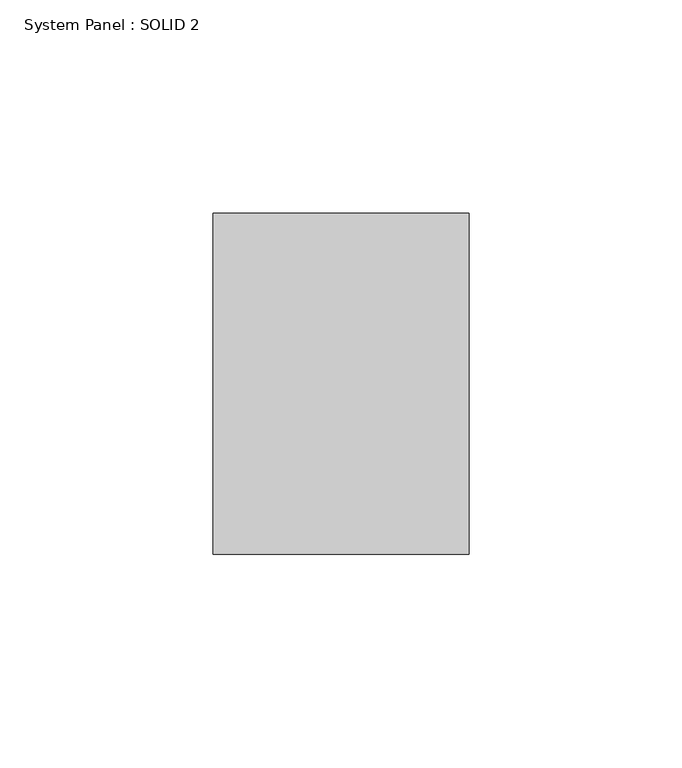
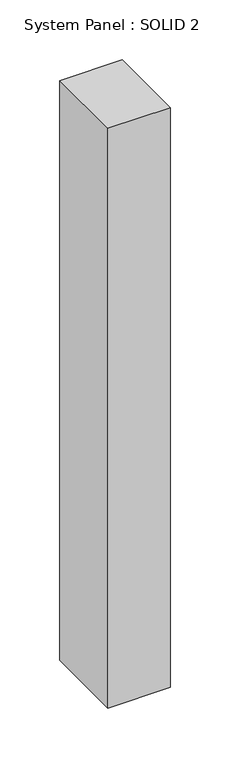
"""IFC4 building model written with IfcOpenShell, lengths in millimetres: plate geometry, System Panel : SOLID 2."""

import ifcopenshell
import ifcopenshell.guid

model = None  # the IFC model being written
_history = None  # IfcOwnerHistory: only IFC2X3 demands one
_inside = {}  # id of a spatial element -> (the spatial element, [elements in it])
_under = {}  # id of a project, library or spatial element -> (it, [spatial elements below it])
_declared = {}  # id of a project -> (the project, [libraries it declares])
_typed = {}  # id of a type object -> (the type object, [elements of that type])
_made_of = {}  # id of a material, layer set ... -> (it, [elements and type objects made of it])


def new_model(schema):
    """Start an empty IFC model of exactly this schema.

    Asked for "IFC4X3", IfcOpenShell would pick the latest addendum, in which some entities
    have other attributes; the version numbers below select the first issue.
    IFC2X3 requires an IfcOwnerHistory on every rooted entity: one is made here for all.
    """
    global model, _history
    if schema == "IFC4X3":
        model = ifcopenshell.file(schema_version=(4, 3, 0, 0))
    else:
        model = ifcopenshell.file(schema=schema)
    _inside.clear()
    _under.clear()
    _declared.clear()
    _typed.clear()
    _made_of.clear()
    _history = None
    if model.schema == "IFC2X3":
        org = make("IfcOrganization", Name="unknown")
        user = make(
            "IfcPersonAndOrganization",
            ThePerson=make("IfcPerson", FamilyName="unknown"),
            TheOrganization=org,
        )
        app = make(
            "IfcApplication",
            ApplicationDeveloper=org,
            Version="unknown",
            ApplicationFullName="unknown",
            ApplicationIdentifier="unknown",
        )
        _history = make(
            "IfcOwnerHistory",
            OwningUser=user,
            OwningApplication=app,
            ChangeAction="ADDED",
            CreationDate=0,
        )
    return model


def make(cls, **values):
    """One entity of the class cls with the attributes given. An attribute that is None is left unset."""
    return model.create_entity(
        cls, **{name: value for name, value in values.items() if value is not None}
    )


def rooted(cls, **values):
    """An entity with a GlobalId (a new one), such as an element, a storey or a relation."""
    return make(cls, GlobalId=ifcopenshell.guid.new(), OwnerHistory=_history, **values)


def si_unit(unit_type, name, prefix=None):
    """IfcSIUnit, for example si_unit("LENGTHUNIT", "METRE", prefix="MILLI")."""
    return make("IfcSIUnit", UnitType=unit_type, Prefix=prefix, Name=name)


def assignment(units):
    """IfcUnitAssignment: the units of a project."""
    return None if units is None else make("IfcUnitAssignment", Units=units)


def point(xyz):
    """IfcCartesianPoint."""
    return None if xyz is None else make("IfcCartesianPoint", Coordinates=xyz)


def direction(xyz):
    """IfcDirection."""
    return None if xyz is None else make("IfcDirection", DirectionRatios=xyz)


def frame(location, z_axis=None, x_axis=None):
    """IfcAxis2Placement3D, a coordinate frame: its origin and axes. An axis left out is left unset."""
    return make(
        "IfcAxis2Placement3D",
        Location=point(location),
        Axis=direction(z_axis),
        RefDirection=direction(x_axis),
    )


def origin():
    """The frame at (0, 0, 0) with its axes left unset."""
    return frame((0.0, 0.0, 0.0))


def origin_with_axes():
    """The frame at (0, 0, 0) with the z axis (0, 0, 1) and the x axis (1, 0, 0) written out."""
    return frame((0.0, 0.0, 0.0), z_axis=(0.0, 0.0, 1.0), x_axis=(1.0, 0.0, 0.0))


def place(relative_to, where):
    """IfcLocalPlacement: puts the frame where relative to a parent placement (None: the world)."""
    return make(
        "IfcLocalPlacement", PlacementRelTo=relative_to, RelativePlacement=where
    )


def context(
    kind, dimensions, precision=None, world=None, true_north=None, identifier=None
):
    """IfcGeometricRepresentationContext, for example the 3D "Model" context."""
    return make(
        "IfcGeometricRepresentationContext",
        ContextIdentifier=identifier,
        ContextType=kind,
        CoordinateSpaceDimension=dimensions,
        Precision=precision,
        WorldCoordinateSystem=world,
        TrueNorth=true_north,
    )


def project(units=None, contexts=None):
    """IfcProject with its units and contexts."""
    return rooted(
        "IfcProject",
        Name="project",
        RepresentationContexts=contexts,
        UnitsInContext=assignment(units),
    )


def spatial(cls, under=None, at=None, **own):
    """A site, building, storey or space (cls), placed at a placement, below another one or the project."""
    s = rooted(cls, ObjectPlacement=at, **own)
    if under is not None:
        _under.setdefault(under.id(), (under, []))[1].append(s)
    return s


def polyline(points):
    """IfcPolyline through the points."""
    return make("IfcPolyline", Points=[point(p) for p in points])


def outline(outer, holes=None, kind="AREA"):
    """IfcArbitraryClosedProfileDef: a profile drawn as a closed curve; with holes, ...WithVoids."""
    if holes is None:
        return make("IfcArbitraryClosedProfileDef", ProfileType=kind, OuterCurve=outer)
    return make(
        "IfcArbitraryProfileDefWithVoids",
        ProfileType=kind,
        OuterCurve=outer,
        InnerCurves=holes,
    )


def extrude(swept, where, along, depth):
    """IfcExtrudedAreaSolid: the profile swept, set in the frame where, extruded along a direction by depth."""
    return make(
        "IfcExtrudedAreaSolid",
        SweptArea=swept,
        Position=where,
        ExtrudedDirection=direction(along),
        Depth=depth,
    )


def shape(context_of_items, identifier, shape_type, items):
    """IfcShapeRepresentation: the items that make up one representation, for example the "Body"."""
    return make(
        "IfcShapeRepresentation",
        ContextOfItems=context_of_items,
        RepresentationIdentifier=identifier,
        RepresentationType=shape_type,
        Items=items,
    )


def source(mapping_origin, context_of_items, identifier, shape_type, items):
    """IfcRepresentationMap: a shape defined once, which mapped items show again and again."""
    return make(
        "IfcRepresentationMap",
        MappingOrigin=mapping_origin,
        MappedRepresentation=shape(context_of_items, identifier, shape_type, items),
    )


def transform(
    local_origin,
    x_axis=None,
    y_axis=None,
    z_axis=None,
    scale=None,
    scale2=None,
    scale3=None,
    uniform=True,
):
    """IfcCartesianTransformationOperator3D, or its non-uniform kind. x_axis, y_axis, z_axis: its Axis1, 2, 3."""
    if uniform:
        return make(
            "IfcCartesianTransformationOperator3D",
            Axis1=direction(x_axis),
            Axis2=direction(y_axis),
            LocalOrigin=point(local_origin),
            Scale=scale,
            Axis3=direction(z_axis),
        )
    return make(
        "IfcCartesianTransformationOperator3DnonUniform",
        Axis1=direction(x_axis),
        Axis2=direction(y_axis),
        LocalOrigin=point(local_origin),
        Scale=scale,
        Axis3=direction(z_axis),
        Scale2=scale2,
        Scale3=scale3,
    )


def mapped(mapping_source, mapping_target):
    """IfcMappedItem: shows the shape of a source again, moved by a transform."""
    return make(
        "IfcMappedItem", MappingSource=mapping_source, MappingTarget=mapping_target
    )


def made_of(thing, what):
    """Note that an element or type object is made of a material, layer set ...; save() writes the relation."""
    if what is not None:
        _made_of.setdefault(what.id(), (what, []))[1].append(thing)
    return thing


def element(
    cls,
    number,
    at=None,
    inside=None,
    cuts=None,
    type_object=None,
    material=None,
    context=None,
    identifier="Body",
    shape_type=None,
    held_by="IfcProductDefinitionShape",
    body=None,
    shapes=None,
    **own,
):
    """One element of the class cls, such as IfcWall. Its Tag is "e" and its number.

    at: its placement. inside: the storey or other place that contains it. cuts: it is an
    opening in that element (IfcRelVoidsElement). A single representation is given by context,
    identifier, shape_type and body (its items); several are given by shapes. held_by: the class
    of the entity that holds the representations. save() writes the other relations.
    """
    e = rooted(cls, Tag="e%d" % number, ObjectPlacement=at, **own)
    if body is not None:
        shapes = [shape(context, identifier, shape_type, body)]
    if shapes is not None:
        e.Representation = make(held_by, Representations=shapes)
    if inside is not None:
        _inside.setdefault(inside.id(), (inside, []))[1].append(e)
    if cuts is not None:
        rooted(
            "IfcRelVoidsElement", RelatingBuildingElement=cuts, RelatedOpeningElement=e
        )
    if type_object is not None:
        _typed.setdefault(type_object.id(), (type_object, []))[1].append(e)
    return made_of(e, material)


def aggregate(whole, parts):
    """IfcRelAggregates: a whole, such as a stair, and the parts it consists of."""
    return rooted("IfcRelAggregates", RelatingObject=whole, RelatedObjects=parts)


def save(model, path):
    """Write the relations noted so far, then the file.

    IfcRelAggregates (storeys below a building ...), IfcRelContainedInSpatialStructure (elements
    in a storey), IfcRelDefinesByType, IfcRelAssociatesMaterial and IfcRelDeclares: one each for
    every whole, place, type object, material and project.
    """
    for whole, parts in _under.values():
        aggregate(whole, parts)
    for where, things in _inside.values():
        rooted(
            "IfcRelContainedInSpatialStructure",
            RelatedElements=things,
            RelatingStructure=where,
        )
    for kind, things in _typed.values():
        rooted("IfcRelDefinesByType", RelatedObjects=things, RelatingType=kind)
    for what, things in _made_of.values():
        rooted("IfcRelAssociatesMaterial", RelatedObjects=things, RelatingMaterial=what)
    for by, libraries in _declared.values():
        rooted("IfcRelDeclares", RelatingContext=by, RelatedDefinitions=libraries)
    model.write(path)


def system_panel_solid_2_64031881(model_context):
    return source(origin(), model_context, "Body", "SweptSolid", [
        extrude(outline(polyline([(30.0, 80.0), (-30.0, 80.0), (-30.0, 160.0), (30.0, 160.0), (30.0, 80.0)])), origin_with_axes(), (0.0, 0.0, 1.0), 591.0),
    ])


if __name__ == "__main__":
    model = new_model("IFC4")
    model_context = context("Model", 3, world=origin())
    ifc_project = project(units=[si_unit("LENGTHUNIT", "METRE", prefix="MILLI")], contexts=[model_context])
    site = spatial("IfcSite", under=ifc_project)
    building = spatial("IfcBuilding", under=site)
    placement = place(None, origin())
    system_panel_solid_2_shape = system_panel_solid_2_64031881(model_context)
    element("IfcPlate", 1, ObjectType="System Panel : SOLID 2", at=placement, inside=building, context=model_context, shape_type="MappedRepresentation", body=[
        mapped(system_panel_solid_2_shape, transform((0.0, 0.0, 0.0), x_axis=(1.0, 0.0, 0.0), y_axis=(0.0, 1.0, 0.0), z_axis=(0.0, 0.0, 1.0))),
    ])
    save(model, "model.ifc")
